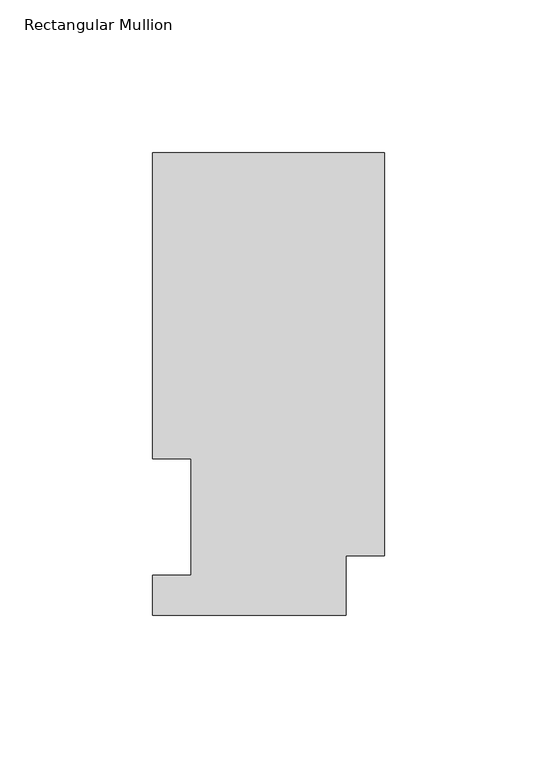
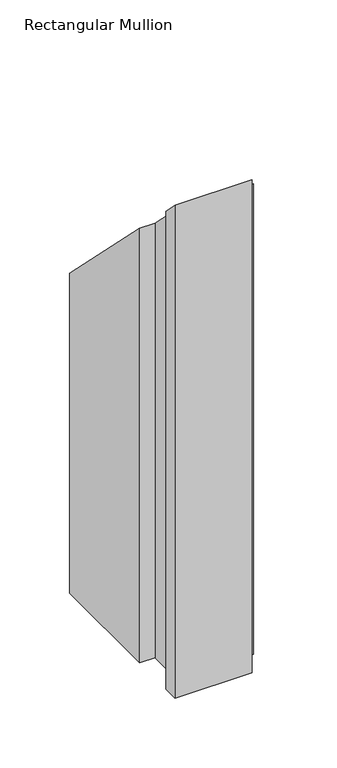
"""IFC4 building model written with IfcOpenShell, lengths in millimetres: member geometry, Rectangular Mullion."""

from ifc_helpers import new_model, si_unit, origin, place, context, project, spatial, faceted_brep, source, transform, mapped, element, save


def rectangular_mullion_3d5f4964(model_context):
    return source(origin(), model_context, "Body", "Brep", [
        faceted_brep([(-76.2, 51.2960938, -431.8), (-76.2, 151.7022937, -431.8), (0.0, 151.7022937, -431.8), (0.0, 19.5455957, -431.8), (-12.7, 19.5455957, -431.8), (-12.7, 0.0134937, -431.8), (-76.2, 0.0134937, -431.8), (-76.2, 13.1960937, -431.8), (-63.5, 13.1960937, -431.8), (-63.5, 51.2960938, -431.8), (-63.5, 51.2960938, -51.2960937), (-76.2, 51.2960938, -51.2960937), (-63.5, 13.1960937, -13.1960937), (-76.2, 13.1960937, -13.1960937), (-76.2, 0.0134937, -0.0134937), (-12.7, 0.0134937, -0.0134937), (-12.7, 19.5455957, -19.5455957), (0.0, 19.5455957, -19.5455957), (0.0, 151.7022937, -151.7022937), (-76.2, 151.7022937, -151.7022937)], [[[0, 1, 2, 3, 4, 5, 6, 7, 8, 9]], [[10, 11, 0, 9]], [[12, 10, 9, 8]], [[13, 12, 8, 7]], [[14, 13, 7, 6]], [[15, 14, 6, 5]], [[16, 15, 5, 4]], [[17, 16, 4, 3]], [[18, 17, 3, 2]], [[19, 18, 2, 1]], [[11, 19, 1, 0]], [[11, 10, 12, 13, 14, 15, 16, 17, 18, 19]]]),
    ])


if __name__ == "__main__":
    model = new_model("IFC4")
    model_context = context("Model", 3, world=origin())
    ifc_project = project(units=[si_unit("LENGTHUNIT", "METRE", prefix="MILLI")], contexts=[model_context])
    site = spatial("IfcSite", under=ifc_project)
    building = spatial("IfcBuilding", under=site)
    placement = place(None, origin())
    rectangular_mullion_shape = rectangular_mullion_3d5f4964(model_context)
    element("IfcMember", 1, ObjectType="Rectangular Mullion", at=placement, inside=building, context=model_context, shape_type="MappedRepresentation", body=[
        mapped(rectangular_mullion_shape, transform((0.0, 0.0, 0.0), x_axis=(1.0, 0.0, 0.0), y_axis=(0.0, 1.0, 0.0), z_axis=(0.0, 0.0, 1.0))),
    ])
    save(model, "model.ifc")
